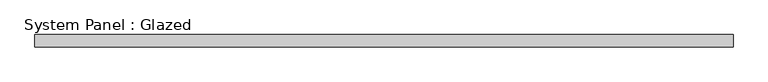
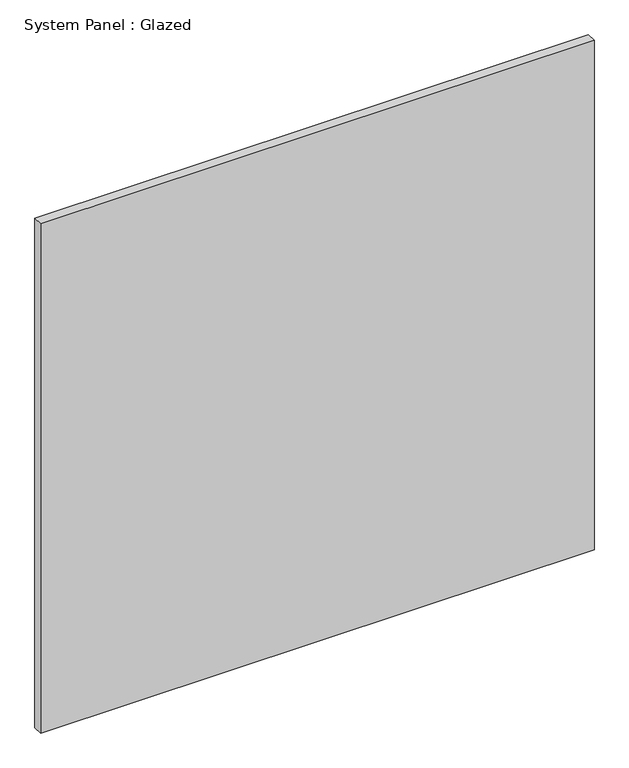
"""IFC4 building model written with IfcOpenShell, lengths in millimetres: plate geometry, System Panel : Glazed."""

from ifc_helpers import new_model, si_unit, origin, origin_with_axes, place, context, project, spatial, polyline, outline, extrude, source, transform, mapped, element, save


def system_panel_glazed_8ab4fa04(model_context):
    return source(origin(), model_context, "Body", "SweptSolid", [
        extrude(outline(polyline([(712.5, -49.5), (-712.5, -49.5), (-712.5, -24.5), (712.5, -24.5), (712.5, -49.5)])), origin_with_axes(), (0.0, 0.0, 1.0), 1386.3002388),
    ])


if __name__ == "__main__":
    model = new_model("IFC4")
    model_context = context("Model", 3, world=origin())
    ifc_project = project(units=[si_unit("LENGTHUNIT", "METRE", prefix="MILLI")], contexts=[model_context])
    site = spatial("IfcSite", under=ifc_project)
    building = spatial("IfcBuilding", under=site)
    placement = place(None, origin())
    system_panel_glazed_shape = system_panel_glazed_8ab4fa04(model_context)
    element("IfcPlate", 1, ObjectType="System Panel : Glazed", at=placement, inside=building, context=model_context, shape_type="MappedRepresentation", body=[
        mapped(system_panel_glazed_shape, transform((0.0, 0.0, 0.0), x_axis=(1.0, 0.0, 0.0), y_axis=(0.0, 1.0, 0.0), z_axis=(0.0, 0.0, 1.0))),
    ])
    save(model, "model.ifc")
